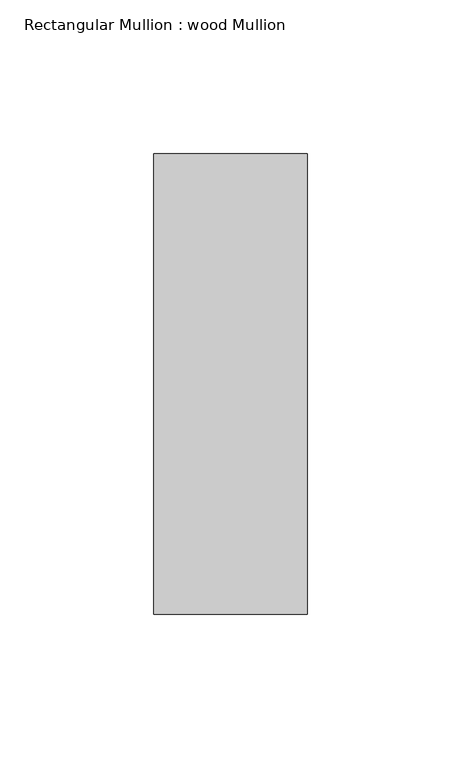
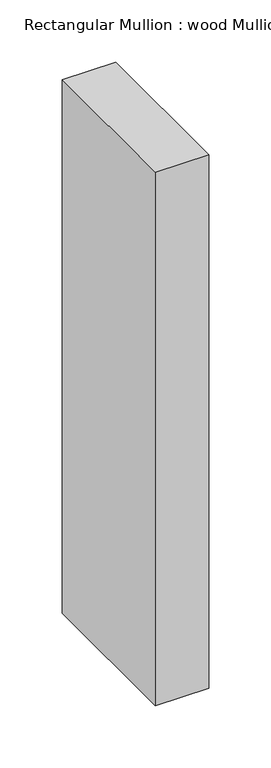
"""IFC4 building model written with IfcOpenShell, lengths in millimetres: member geometry, Rectangular Mullion : wood Mullion."""

from ifc_helpers import new_model, si_unit, frame, origin, place, context, project, spatial, polyline, outline, extrude, source, transform, mapped, element, save


def rectangular_mullion_wood_mullion_5b5377e9(model_context):
    return source(origin(), model_context, "Body", "SweptSolid", [
        extrude(outline(polyline([(0.0, 75.0), (0.0, -75.0), (-50.0, -75.0), (-50.0, 75.0), (0.0, 75.0)])), frame((0.0, 0.0, -525.0), z_axis=(0.0, 0.0, 1.0), x_axis=(1.0, 0.0, 0.0)), (0.0, 0.0, 1.0), 525.0),
    ])


if __name__ == "__main__":
    model = new_model("IFC4")
    model_context = context("Model", 3, world=origin())
    ifc_project = project(units=[si_unit("LENGTHUNIT", "METRE", prefix="MILLI")], contexts=[model_context])
    site = spatial("IfcSite", under=ifc_project)
    building = spatial("IfcBuilding", under=site)
    placement = place(None, origin())
    rectangular_mullion_wood_mullion_shape = rectangular_mullion_wood_mullion_5b5377e9(model_context)
    element("IfcMember", 1, ObjectType="Rectangular Mullion : wood Mullion", at=placement, inside=building, context=model_context, shape_type="MappedRepresentation", body=[
        mapped(rectangular_mullion_wood_mullion_shape, transform((0.0, 0.0, 0.0), x_axis=(1.0, 0.0, 0.0), y_axis=(0.0, 1.0, 0.0), z_axis=(0.0, 0.0, 1.0))),
    ])
    save(model, "model.ifc")
